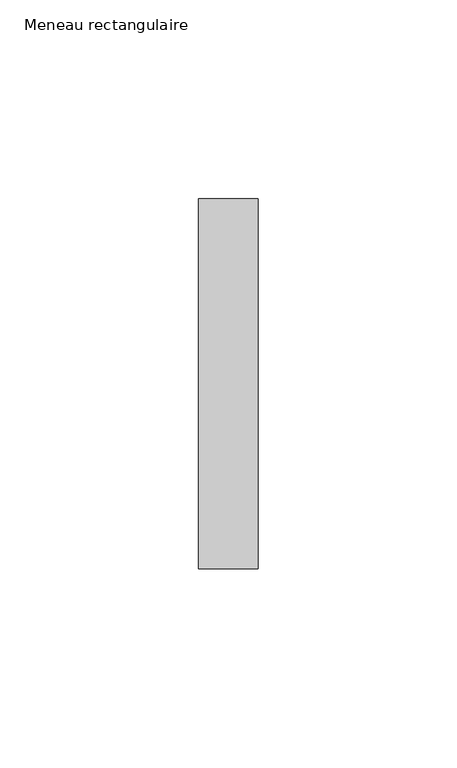
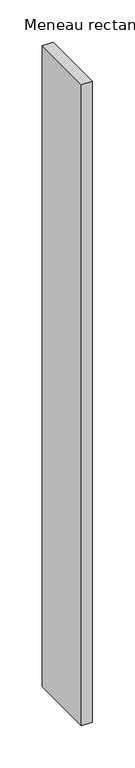
"""IFC4 building model written with IfcOpenShell, lengths in millimetres: member geometry, Meneau rectangulaire."""

from ifc_helpers import new_model, si_unit, frame, origin, place, context, project, spatial, polyline, outline, extrude, source, transform, mapped, element, save


def meneau_rectangulaire_bf671862(model_context):
    return source(origin(), model_context, "Body", "SweptSolid", [
        extrude(outline(polyline([(0.0, 46.5), (0.0, -46.5), (-15.0, -46.5), (-15.0, 46.5), (0.0, 46.5)])), frame((0.0, 0.0, -926.5040491), z_axis=(0.0, 0.0, 1.0), x_axis=(1.0, 0.0, 0.0)), (0.0, 0.0, 1.0), 926.5040491),
    ])


if __name__ == "__main__":
    model = new_model("IFC4")
    model_context = context("Model", 3, world=origin())
    ifc_project = project(units=[si_unit("LENGTHUNIT", "METRE", prefix="MILLI")], contexts=[model_context])
    site = spatial("IfcSite", under=ifc_project)
    building = spatial("IfcBuilding", under=site)
    placement = place(None, origin())
    meneau_rectangulaire_shape = meneau_rectangulaire_bf671862(model_context)
    element("IfcMember", 1, ObjectType="Meneau rectangulaire", at=placement, inside=building, context=model_context, shape_type="MappedRepresentation", body=[
        mapped(meneau_rectangulaire_shape, transform((0.0, 0.0, 0.0), x_axis=(1.0, 0.0, 0.0), y_axis=(0.0, 1.0, 0.0), z_axis=(0.0, 0.0, 1.0))),
    ])
    save(model, "model.ifc")
